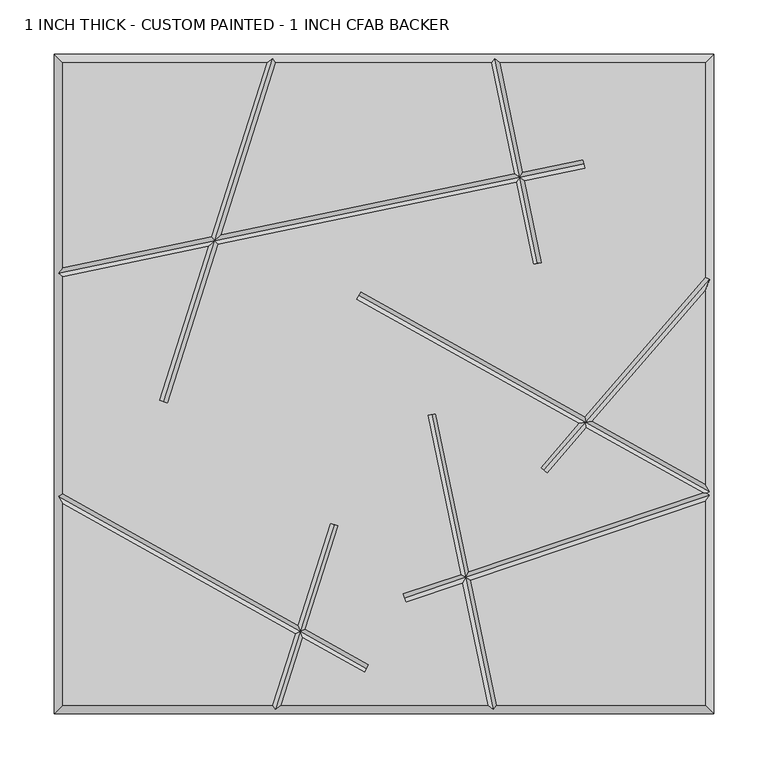
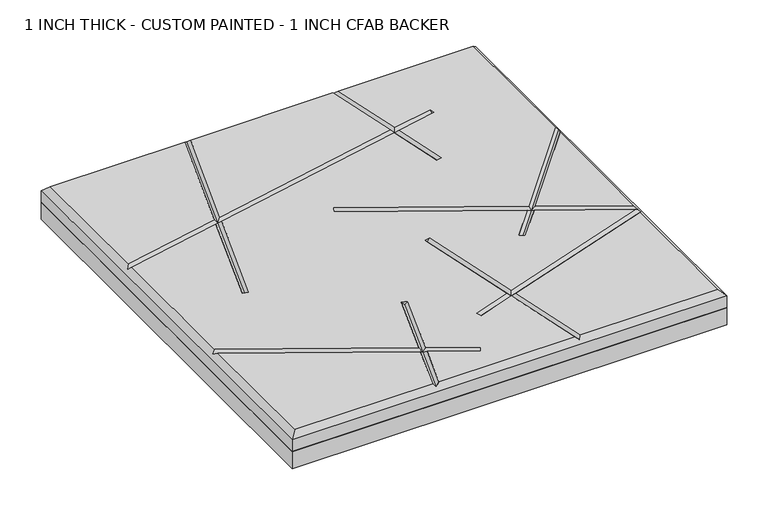
"""IFC4 building model written with IfcOpenShell, lengths in millimetres: proxy geometry, 1 INCH THICK - CUSTOM PAINTED - 1 INCH CFAB BACKER."""

import ifcopenshell
import ifcopenshell.guid

model = None  # the IFC model being written
_history = None  # IfcOwnerHistory: only IFC2X3 demands one
_inside = {}  # id of a spatial element -> (the spatial element, [elements in it])
_under = {}  # id of a project, library or spatial element -> (it, [spatial elements below it])
_declared = {}  # id of a project -> (the project, [libraries it declares])
_typed = {}  # id of a type object -> (the type object, [elements of that type])
_made_of = {}  # id of a material, layer set ... -> (it, [elements and type objects made of it])


def new_model(schema):
    """Start an empty IFC model of exactly this schema.

    Asked for "IFC4X3", IfcOpenShell would pick the latest addendum, in which some entities
    have other attributes; the version numbers below select the first issue.
    IFC2X3 requires an IfcOwnerHistory on every rooted entity: one is made here for all.
    """
    global model, _history
    if schema == "IFC4X3":
        model = ifcopenshell.file(schema_version=(4, 3, 0, 0))
    else:
        model = ifcopenshell.file(schema=schema)
    _inside.clear()
    _under.clear()
    _declared.clear()
    _typed.clear()
    _made_of.clear()
    _history = None
    if model.schema == "IFC2X3":
        org = make("IfcOrganization", Name="unknown")
        user = make(
            "IfcPersonAndOrganization",
            ThePerson=make("IfcPerson", FamilyName="unknown"),
            TheOrganization=org,
        )
        app = make(
            "IfcApplication",
            ApplicationDeveloper=org,
            Version="unknown",
            ApplicationFullName="unknown",
            ApplicationIdentifier="unknown",
        )
        _history = make(
            "IfcOwnerHistory",
            OwningUser=user,
            OwningApplication=app,
            ChangeAction="ADDED",
            CreationDate=0,
        )
    return model


def make(cls, **values):
    """One entity of the class cls with the attributes given. An attribute that is None is left unset."""
    return model.create_entity(
        cls, **{name: value for name, value in values.items() if value is not None}
    )


def rooted(cls, **values):
    """An entity with a GlobalId (a new one), such as an element, a storey or a relation."""
    return make(cls, GlobalId=ifcopenshell.guid.new(), OwnerHistory=_history, **values)


def si_unit(unit_type, name, prefix=None):
    """IfcSIUnit, for example si_unit("LENGTHUNIT", "METRE", prefix="MILLI")."""
    return make("IfcSIUnit", UnitType=unit_type, Prefix=prefix, Name=name)


def assignment(units):
    """IfcUnitAssignment: the units of a project."""
    return None if units is None else make("IfcUnitAssignment", Units=units)


def point(xyz):
    """IfcCartesianPoint."""
    return None if xyz is None else make("IfcCartesianPoint", Coordinates=xyz)


def direction(xyz):
    """IfcDirection."""
    return None if xyz is None else make("IfcDirection", DirectionRatios=xyz)


def frame(location, z_axis=None, x_axis=None):
    """IfcAxis2Placement3D, a coordinate frame: its origin and axes. An axis left out is left unset."""
    return make(
        "IfcAxis2Placement3D",
        Location=point(location),
        Axis=direction(z_axis),
        RefDirection=direction(x_axis),
    )


def origin():
    """The frame at (0, 0, 0) with its axes left unset."""
    return frame((0.0, 0.0, 0.0))


def place(relative_to, where):
    """IfcLocalPlacement: puts the frame where relative to a parent placement (None: the world)."""
    return make(
        "IfcLocalPlacement", PlacementRelTo=relative_to, RelativePlacement=where
    )


def context(
    kind, dimensions, precision=None, world=None, true_north=None, identifier=None
):
    """IfcGeometricRepresentationContext, for example the 3D "Model" context."""
    return make(
        "IfcGeometricRepresentationContext",
        ContextIdentifier=identifier,
        ContextType=kind,
        CoordinateSpaceDimension=dimensions,
        Precision=precision,
        WorldCoordinateSystem=world,
        TrueNorth=true_north,
    )


def project(units=None, contexts=None):
    """IfcProject with its units and contexts."""
    return rooted(
        "IfcProject",
        Name="project",
        RepresentationContexts=contexts,
        UnitsInContext=assignment(units),
    )


def spatial(cls, under=None, at=None, **own):
    """A site, building, storey or space (cls), placed at a placement, below another one or the project."""
    s = rooted(cls, ObjectPlacement=at, **own)
    if under is not None:
        _under.setdefault(under.id(), (under, []))[1].append(s)
    return s


def polyline(points):
    """IfcPolyline through the points."""
    return make("IfcPolyline", Points=[point(p) for p in points])


def outline(outer, holes=None, kind="AREA"):
    """IfcArbitraryClosedProfileDef: a profile drawn as a closed curve; with holes, ...WithVoids."""
    if holes is None:
        return make("IfcArbitraryClosedProfileDef", ProfileType=kind, OuterCurve=outer)
    return make(
        "IfcArbitraryProfileDefWithVoids",
        ProfileType=kind,
        OuterCurve=outer,
        InnerCurves=holes,
    )


def extrude(swept, where, along, depth):
    """IfcExtrudedAreaSolid: the profile swept, set in the frame where, extruded along a direction by depth."""
    return make(
        "IfcExtrudedAreaSolid",
        SweptArea=swept,
        Position=where,
        ExtrudedDirection=direction(along),
        Depth=depth,
    )


def faces_of(points, faces, orient=None, outer=None):
    """IfcFace entities. A face is a list of loops; a loop is a list of indices into points, from 0.

    orient and outer hold one flag for each loop. By default every Orientation is true, the
    first loop of a face is its IfcFaceOuterBound and the others are IfcFaceBound.
    """
    made = []
    for i, loops in enumerate(faces):
        bounds = []
        for j, loop in enumerate(loops):
            is_outer = j == 0 if outer is None else outer[i][j]
            bounds.append(
                make(
                    "IfcFaceOuterBound" if is_outer else "IfcFaceBound",
                    Bound=make("IfcPolyLoop", Polygon=[points[k] for k in loop]),
                    Orientation=True if orient is None else orient[i][j],
                )
            )
        made.append(make("IfcFace", Bounds=bounds))
    return made


def faceted_brep(points, faces, orient=None, outer=None, voids=None):
    """IfcFacetedBrep: a solid bounded by flat faces; with voids (closed shells), ...WithVoids."""
    shared = [point(p) for p in points]
    hull = make("IfcClosedShell", CfsFaces=faces_of(shared, faces, orient, outer))
    if voids is None:
        return make("IfcFacetedBrep", Outer=hull)
    return make(
        "IfcFacetedBrepWithVoids",
        Outer=hull,
        Voids=[
            make(cls, CfsFaces=faces_of(shared, fs, o, b)) for cls, fs, o, b in voids
        ],
    )


def shape(context_of_items, identifier, shape_type, items):
    """IfcShapeRepresentation: the items that make up one representation, for example the "Body"."""
    return make(
        "IfcShapeRepresentation",
        ContextOfItems=context_of_items,
        RepresentationIdentifier=identifier,
        RepresentationType=shape_type,
        Items=items,
    )


def source(mapping_origin, context_of_items, identifier, shape_type, items):
    """IfcRepresentationMap: a shape defined once, which mapped items show again and again."""
    return make(
        "IfcRepresentationMap",
        MappingOrigin=mapping_origin,
        MappedRepresentation=shape(context_of_items, identifier, shape_type, items),
    )


def transform(
    local_origin,
    x_axis=None,
    y_axis=None,
    z_axis=None,
    scale=None,
    scale2=None,
    scale3=None,
    uniform=True,
):
    """IfcCartesianTransformationOperator3D, or its non-uniform kind. x_axis, y_axis, z_axis: its Axis1, 2, 3."""
    if uniform:
        return make(
            "IfcCartesianTransformationOperator3D",
            Axis1=direction(x_axis),
            Axis2=direction(y_axis),
            LocalOrigin=point(local_origin),
            Scale=scale,
            Axis3=direction(z_axis),
        )
    return make(
        "IfcCartesianTransformationOperator3DnonUniform",
        Axis1=direction(x_axis),
        Axis2=direction(y_axis),
        LocalOrigin=point(local_origin),
        Scale=scale,
        Axis3=direction(z_axis),
        Scale2=scale2,
        Scale3=scale3,
    )


def mapped(mapping_source, mapping_target):
    """IfcMappedItem: shows the shape of a source again, moved by a transform."""
    return make(
        "IfcMappedItem", MappingSource=mapping_source, MappingTarget=mapping_target
    )


def made_of(thing, what):
    """Note that an element or type object is made of a material, layer set ...; save() writes the relation."""
    if what is not None:
        _made_of.setdefault(what.id(), (what, []))[1].append(thing)
    return thing


def element(
    cls,
    number,
    at=None,
    inside=None,
    cuts=None,
    type_object=None,
    material=None,
    context=None,
    identifier="Body",
    shape_type=None,
    held_by="IfcProductDefinitionShape",
    body=None,
    shapes=None,
    **own,
):
    """One element of the class cls, such as IfcWall. Its Tag is "e" and its number.

    at: its placement. inside: the storey or other place that contains it. cuts: it is an
    opening in that element (IfcRelVoidsElement). A single representation is given by context,
    identifier, shape_type and body (its items); several are given by shapes. held_by: the class
    of the entity that holds the representations. save() writes the other relations.
    """
    e = rooted(cls, Tag="e%d" % number, ObjectPlacement=at, **own)
    if body is not None:
        shapes = [shape(context, identifier, shape_type, body)]
    if shapes is not None:
        e.Representation = make(held_by, Representations=shapes)
    if inside is not None:
        _inside.setdefault(inside.id(), (inside, []))[1].append(e)
    if cuts is not None:
        rooted(
            "IfcRelVoidsElement", RelatingBuildingElement=cuts, RelatedOpeningElement=e
        )
    if type_object is not None:
        _typed.setdefault(type_object.id(), (type_object, []))[1].append(e)
    return made_of(e, material)


def aggregate(whole, parts):
    """IfcRelAggregates: a whole, such as a stair, and the parts it consists of."""
    return rooted("IfcRelAggregates", RelatingObject=whole, RelatedObjects=parts)


def save(model, path):
    """Write the relations noted so far, then the file.

    IfcRelAggregates (storeys below a building ...), IfcRelContainedInSpatialStructure (elements
    in a storey), IfcRelDefinesByType, IfcRelAssociatesMaterial and IfcRelDeclares: one each for
    every whole, place, type object, material and project.
    """
    for whole, parts in _under.values():
        aggregate(whole, parts)
    for where, things in _inside.values():
        rooted(
            "IfcRelContainedInSpatialStructure",
            RelatedElements=things,
            RelatingStructure=where,
        )
    for kind, things in _typed.values():
        rooted("IfcRelDefinesByType", RelatedObjects=things, RelatingType=kind)
    for what, things in _made_of.values():
        rooted("IfcRelAssociatesMaterial", RelatedObjects=things, RelatingMaterial=what)
    for by, libraries in _declared.values():
        rooted("IfcRelDeclares", RelatingContext=by, RelatedDefinitions=libraries)
    model.write(path)


def proxy_1_inch_thick_custom_painted_1_inch_cfab_backer_9fa4ed28(model_context):
    return source(origin(), model_context, "Body", "SolidModel", [
        extrude(outline(polyline([(-304.8, 304.8), (304.8, 304.8), (304.8, -304.8), (-304.8, -304.8), (-304.8, 304.8)])), frame((0.0, 0.0, -25.4), z_axis=(0.0, 0.0, 1.0), x_axis=(1.0, 0.0, 0.0)), (0.0, 0.0, 1.0), 25.4),
        faceted_brep([(-296.799, 296.799, 25.4), (-296.799, 107.3480638, 25.4), (-159.4586078, 135.8795502, 25.4), (-108.3391886, 296.799, 25.4), (296.799, -296.799, 25.4), (296.799, -108.5119669, 25.4), (80.0538834, -181.4165569, 25.4), (104.0237625, -296.799, 25.4), (-296.799, -110.6534853, 25.4), (-296.799, -296.799, 25.4), (-103.2558195, -296.799, 25.4), (-82.2134891, -230.5595886, 25.4), (184.2546922, 207.2835354, 25.4), (185.8820968, 199.4497907, 25.4), (129.9840642, 187.8373734, 25.4), (145.7029214, 112.1724049, 25.4), (137.8691767, 110.5450004, 25.4), (122.1503195, 186.2099688, 25.4), (-153.2498082, 128.9975577, 25.4), (-199.8388724, -17.6607318, 25.4), (-207.4643565, -15.2383377, 25.4), (-162.2379804, 127.130329, 25.4), (-296.799, 99.1762375, 25.4), (-296.799, -101.4881131, 25.4), (-79.7408339, -222.7758868, 25.4), (-49.8549585, -128.6977715, 25.4), (-42.2294744, -131.1201655, 25.4), (-72.6113646, -226.7596921, 25.4), (-13.9611021, -259.5322889, 25.4), (-17.8639294, -266.516839, 25.4), (-75.0840198, -234.5433938, 25.4), (-94.8608114, -296.799, 25.4), (95.8519362, -296.799, 25.4), (72.4157815, -183.985716, 25.4), (20.0037035, -201.6150916, 25.4), (17.4529106, -194.0315926, 25.4), (70.7766593, -176.0955667, 25.4), (40.2072869, -28.9455186, 25.4), (48.0410316, -27.318114, 25.4), (78.4147612, -173.5264076, 25.4), (294.9653156, -100.6872606, 25.4), (187.1012518, -40.4149733, 25.4), (150.6770336, -82.4732231, 25.4), (144.6288963, -77.2352812, 25.4), (179.9685456, -36.4293593, 25.4), (-25.4958806, 78.3800638, 25.4), (-21.5930534, 85.3646139, 25.4), (185.3175947, -30.2529291, 25.4), (296.799, 98.472217, 25.4), (296.799, 296.799, 25.4), (107.3480638, 296.799, 25.4), (128.3566596, 195.671118, 25.4), (-99.9441805, 296.799, 25.4), (-150.4704356, 137.7467788, 25.4), (120.522915, 194.0437135, 25.4), (99.1762375, 296.799, 25.4), (192.4503009, -34.238543, 25.4), (296.799, -92.5465147, 25.4), (296.799, 86.2506228, 25.4), (-304.8, 304.8, 0.0), (304.8, 304.8, 0.0), (304.8, -304.8, 0.0), (-304.8, -304.8, 0.0), (-304.8, -304.8, 17.399), (-304.8, 304.8, 17.399), (304.8, -304.8, 17.399), (304.8, 304.8, 17.399), (-102.8708423, 300.7995, 21.3995), (102.4310753, 300.7995, 21.3995), (-300.7995, -103.8353996, 21.3995), (-300.7995, 102.4310753, 21.3995), (100.7689247, -300.7995, 21.3995), (-100.3291577, -300.7995, 21.3995), (300.7995, 96.9807099, 21.3995), (300.7995, -99.3646004, 21.3995), (298.0563573, -100.9741346, 24.1426427), (300.7995, -102.9456119, 21.3995), (185.0683945, 203.3666631, 21.3995), (-156.354208, 132.4385539, 21.3995), (125.2534896, 190.9405434, 21.3995), (-203.6516145, -16.4495347, 21.3995), (141.7860491, 111.3587027, 21.3995), (-23.544467, 81.8723389, 21.3995), (186.2094232, -35.3339512, 21.3995), (147.652965, -79.8542522, 21.3995), (18.728307, -197.8233421, 21.3995), (75.4152713, -178.7560618, 21.3995), (-15.9125158, -263.0245639, 21.3995), (-77.4124268, -228.6596403, 21.3995), (-46.0422164, -129.9089685, 21.3995), (44.1241593, -28.1318163, 21.3995)], [[[0, 1, 2, 3]], [[4, 5, 6, 7]], [[8, 9, 10, 11]], [[12, 13, 14, 15, 16, 17, 18, 19, 20, 21, 22, 23, 24, 25, 26, 27, 28, 29, 30, 31, 32, 33, 34, 35, 36, 37, 38, 39, 40, 41, 42, 43, 44, 45, 46, 47, 48, 49, 50, 51]], [[52, 53, 54, 55]], [[56, 57, 58]], [[59, 60, 61, 62]], [[59, 62, 63, 64]], [[62, 61, 65, 63]], [[61, 60, 66, 65]], [[60, 59, 64, 66]], [[64, 0, 3, 67, 52, 55, 68, 50, 49, 66]], [[0, 64, 63, 9, 8, 69, 23, 22, 70, 1]], [[9, 63, 65, 4, 7, 71, 32, 31, 72, 10]], [[66, 49, 48, 73, 58, 57, 74, 75, 76, 5, 4, 65]], [[12, 77, 13]], [[1, 70, 78, 2]], [[77, 12, 51, 79]], [[53, 78, 79, 54]], [[70, 22, 21, 78]], [[13, 77, 79, 14]], [[78, 18, 17, 79]], [[19, 80, 20]], [[80, 19, 18, 78]], [[67, 78, 53, 52]], [[20, 80, 78, 21]], [[78, 67, 3, 2]], [[15, 81, 16]], [[81, 15, 14, 79]], [[68, 79, 51, 50]], [[16, 81, 79, 17]], [[79, 68, 55, 54]], [[45, 82, 46]], [[74, 57, 56, 83]], [[46, 82, 83, 47]], [[82, 45, 44, 83]], [[74, 83, 41, 40, 75]], [[42, 84, 43]], [[84, 42, 41, 83]], [[73, 83, 56, 58]], [[43, 84, 83, 44]], [[83, 73, 48, 47]], [[34, 85, 35]], [[5, 76, 86, 6]], [[85, 34, 33, 86]], [[76, 75, 40, 39, 86]], [[35, 85, 86, 36]], [[28, 87, 29]], [[23, 69, 88, 24]], [[87, 28, 27, 88]], [[69, 8, 11, 88]], [[29, 87, 88, 30]], [[25, 89, 26]], [[89, 25, 24, 88]], [[72, 88, 11, 10]], [[26, 89, 88, 27]], [[88, 72, 31, 30]], [[37, 90, 38]], [[90, 37, 36, 86]], [[71, 86, 33, 32]], [[38, 90, 86, 39]], [[86, 71, 7, 6]]]),
    ])


if __name__ == "__main__":
    model = new_model("IFC4")
    model_context = context("Model", 3, world=origin())
    ifc_project = project(units=[si_unit("LENGTHUNIT", "METRE", prefix="MILLI")], contexts=[model_context])
    site = spatial("IfcSite", under=ifc_project)
    building = spatial("IfcBuilding", under=site)
    placement = place(None, origin())
    proxy_1_inch_thick_custom_painted_1_inch_cfab_backer_shape = proxy_1_inch_thick_custom_painted_1_inch_cfab_backer_9fa4ed28(model_context)
    element("IfcBuildingElementProxy", 1, Name="1 INCH THICK - CUSTOM PAINTED - 1 INCH CFAB BACKER", ObjectType="1 INCH THICK - CUSTOM PAINTED - 1 INCH CFAB BACKER", at=placement, inside=building, context=model_context, shape_type="MappedRepresentation", body=[
        mapped(proxy_1_inch_thick_custom_painted_1_inch_cfab_backer_shape, transform((0.0, 0.0, 0.0), x_axis=(1.0, 0.0, 0.0), y_axis=(0.0, 1.0, 0.0), z_axis=(0.0, 0.0, 1.0))),
    ])
    save(model, "model.ifc")
